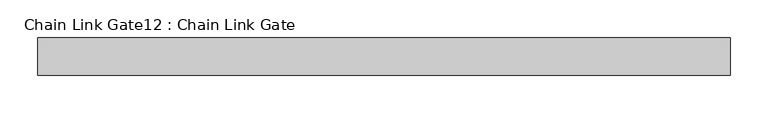
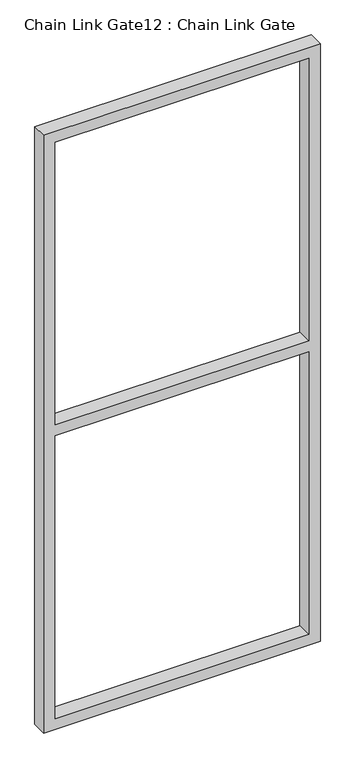
"""IFC4 building model written with IfcOpenShell, lengths in millimetres: proxy geometry, Chain Link Gate12 : Chain Link Gate."""

from ifc_helpers import new_model, si_unit, frame, origin, place, context, project, spatial, polyline, outline, extrude, source, transform, mapped, element, save


def chain_link_gate12_chain_link_gate_1a34ff74(model_context):
    return source(origin(), model_context, "Body", "SweptSolid", [
        extrude(outline(polyline([(2120.9, -19590.1243371), (2120.9, -20514.0493371), (12.7, -20514.0493371), (12.7, -19590.1243371), (2120.9, -19590.1243371)]), holes=[polyline([(2082.8, -19628.2243371), (1085.85, -19628.2243371), (1085.85, -20475.9493371), (2082.8, -20475.9493371), (2082.8, -19628.2243371)]), polyline([(1047.75, -20475.9493371), (1047.75, -19628.2243371), (50.8, -19628.2243371), (50.8, -20475.9493371), (1047.75, -20475.9493371)])]), frame((0.0, -3998.1978765, 0.0), z_axis=(0.0, 1.0, 0.0), x_axis=(0.0, 0.0, 1.0)), (0.0, 0.0, 1.0), 50.1314753),
    ])


if __name__ == "__main__":
    model = new_model("IFC4")
    model_context = context("Model", 3, world=origin())
    ifc_project = project(units=[si_unit("LENGTHUNIT", "METRE", prefix="MILLI")], contexts=[model_context])
    site = spatial("IfcSite", under=ifc_project)
    building = spatial("IfcBuilding", under=site)
    placement = place(None, origin())
    chain_link_gate12_chain_link_gate_shape = chain_link_gate12_chain_link_gate_1a34ff74(model_context)
    element("IfcBuildingElementProxy", 1, Name="Chain Link Gate12 : Chain Link Gate", ObjectType="Chain Link Gate12 : Chain Link Gate", at=placement, inside=building, context=model_context, shape_type="MappedRepresentation", body=[
        mapped(chain_link_gate12_chain_link_gate_shape, transform((0.0, 0.0, 0.0), x_axis=(1.0, 0.0, 0.0), y_axis=(0.0, 1.0, 0.0), z_axis=(0.0, 0.0, 1.0))),
    ])
    save(model, "model.ifc")
